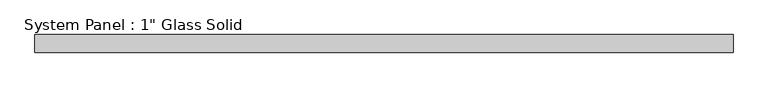
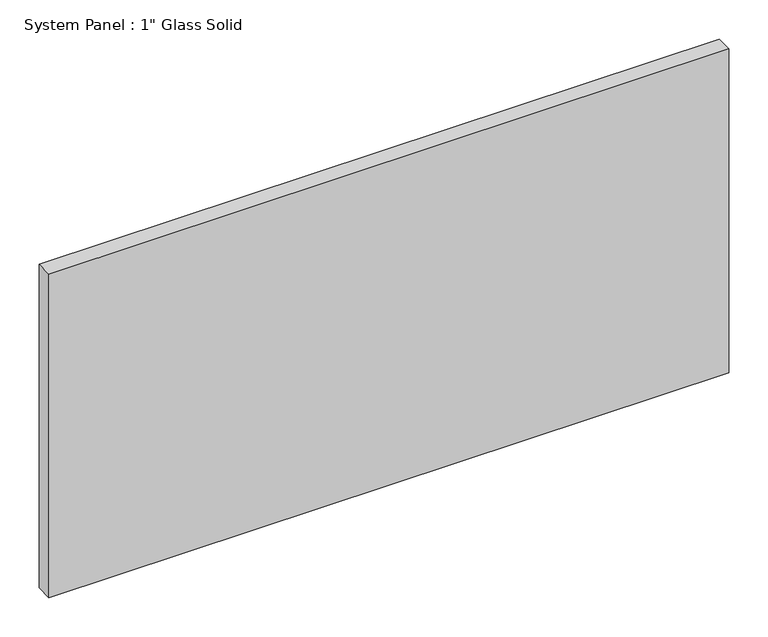
"""IFC4 building model written with IfcOpenShell, lengths in millimetres: plate geometry."""

from ifc_helpers import new_model, si_unit, origin, origin_with_axes, place, context, project, spatial, polyline, outline, extrude, source, transform, mapped, element, save


def plate_d457744b(model_context):
    return source(origin(), model_context, "Body", "SweptSolid", [
        extrude(outline(polyline([(503.2375, -12.7), (-503.2375, -12.7), (-503.2375, 12.7), (503.2375, 12.7), (503.2375, -12.7)])), origin_with_axes(), (0.0, 0.0, 1.0), 506.4125),
    ])


if __name__ == "__main__":
    model = new_model("IFC4")
    model_context = context("Model", 3, world=origin())
    ifc_project = project(units=[si_unit("LENGTHUNIT", "METRE", prefix="MILLI")], contexts=[model_context])
    site = spatial("IfcSite", under=ifc_project)
    building = spatial("IfcBuilding", under=site)
    placement = place(None, origin())
    plate_shape = plate_d457744b(model_context)
    element("IfcPlate", 1, ObjectType="System Panel : 1\" Glass Solid", at=placement, inside=building, context=model_context, shape_type="MappedRepresentation", body=[
        mapped(plate_shape, transform((0.0, 0.0, 0.0), x_axis=(1.0, 0.0, 0.0), y_axis=(0.0, 1.0, 0.0), z_axis=(0.0, 0.0, 1.0))),
    ])
    save(model, "model.ifc")
